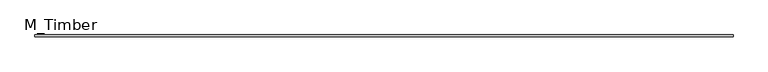
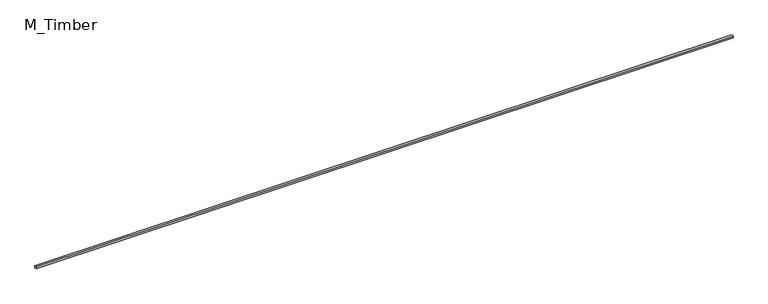
"""IFC4 building model written with IfcOpenShell, lengths in millimetres: beam geometry, M_Timber."""

from ifc_helpers import new_model, si_unit, frame, origin, place, context, project, spatial, polyline, outline, extrude, source, transform, mapped, element, save


def m_timber_361c6805(model_context):
    return source(origin(), model_context, "Body", "SweptSolid", [
        extrude(outline(polyline([(7272.7078805, 20.0), (7272.7078805, -20.0), (-7272.7078805, -20.0), (-7272.7078805, 20.0), (7272.7078805, 20.0)])), frame((0.0, 0.0, -20.0), z_axis=(0.0, 0.0, 1.0), x_axis=(1.0, 0.0, 0.0)), (0.0, 0.0, 1.0), 40.0),
    ])


if __name__ == "__main__":
    model = new_model("IFC4")
    model_context = context("Model", 3, world=origin())
    ifc_project = project(units=[si_unit("LENGTHUNIT", "METRE", prefix="MILLI")], contexts=[model_context])
    site = spatial("IfcSite", under=ifc_project)
    building = spatial("IfcBuilding", under=site)
    placement = place(None, origin())
    m_timber_shape = m_timber_361c6805(model_context)
    element("IfcBeam", 1, ObjectType="M_Timber", at=placement, inside=building, context=model_context, shape_type="MappedRepresentation", body=[
        mapped(m_timber_shape, transform((0.0, 0.0, 0.0), x_axis=(1.0, 0.0, 0.0), y_axis=(0.0, 1.0, 0.0), z_axis=(0.0, 0.0, 1.0))),
    ])
    save(model, "model.ifc")
